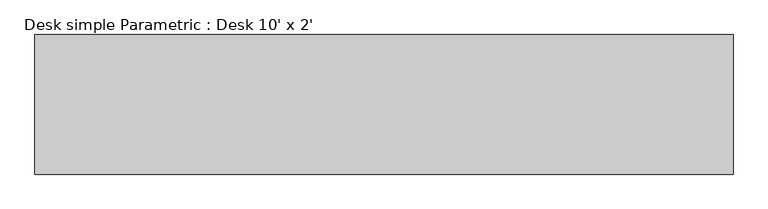
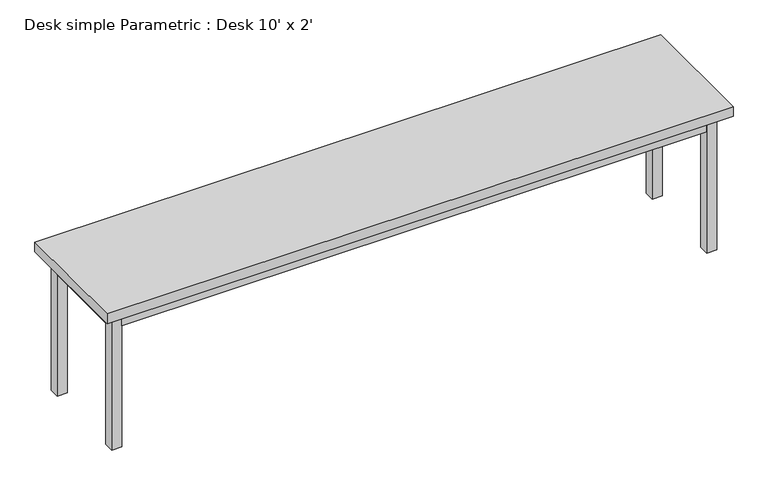
"""IFC4 building model written with IfcOpenShell, lengths in millimetres: furniture geometry, Desk simple Parametric : Desk 10' x 2'."""

from ifc_helpers import new_model, si_unit, frame, origin, origin_with_axes, place, context, project, spatial, polyline, outline, extrude, source, transform, mapped, element, save


def desk_simple_parametric_desk_10_x_2_670e0a4d(model_context):
    return source(origin(), model_context, "Body", "SweptSolid", [
        extrude(outline(polyline([(1484.0, 324.8), (1484.0, -284.8), (-1564.0, -284.8), (-1564.0, 324.8), (1484.0, 324.8)])), frame((0.0, 0.0, 700.0), z_axis=(0.0, 0.0, 1.0), x_axis=(1.0, 0.0, 0.0)), (0.0, 0.0, 1.0), 50.0),
        extrude(outline(polyline([(1384.0, 249.8), (-1464.0, 249.8), (-1464.0, 274.8), (1384.0, 274.8), (1384.0, 249.8)])), frame((0.0, 0.0, 625.0), z_axis=(0.0, 0.0, 1.0), x_axis=(1.0, 0.0, 0.0)), (0.0, 0.0, 1.0), 75.0),
        extrude(outline(polyline([(-1489.0, 224.8), (-1489.0, -184.8), (-1514.0, -184.8), (-1514.0, 224.8), (-1489.0, 224.8)])), frame((0.0, 0.0, 625.0), z_axis=(0.0, 0.0, 1.0), x_axis=(1.0, 0.0, 0.0)), (0.0, 0.0, 1.0), 75.0),
        extrude(outline(polyline([(1409.0, 224.8), (1434.0, 224.8), (1434.0, -184.8), (1409.0, -184.8), (1409.0, 224.8)])), frame((0.0, 0.0, 625.0), z_axis=(0.0, 0.0, 1.0), x_axis=(1.0, 0.0, 0.0)), (0.0, 0.0, 1.0), 75.0),
        extrude(outline(polyline([(-1464.0, -234.8), (-1464.0, -209.8), (1384.0, -209.8), (1384.0, -234.8), (-1464.0, -234.8)])), frame((0.0, 0.0, 625.0), z_axis=(0.0, 0.0, 1.0), x_axis=(1.0, 0.0, 0.0)), (0.0, 0.0, 1.0), 75.0),
        extrude(outline(polyline([(-1464.0, 274.8), (-1464.0, 224.8), (-1514.0, 224.8), (-1514.0, 274.8), (-1464.0, 274.8)])), origin_with_axes(), (0.0, 0.0, 1.0), 700.0),
        extrude(outline(polyline([(-1464.0, -234.8), (-1514.0, -234.8), (-1514.0, -184.8), (-1464.0, -184.8), (-1464.0, -234.8)])), origin_with_axes(), (0.0, 0.0, 1.0), 700.0),
        extrude(outline(polyline([(1384.0, -234.8), (1384.0, -184.8), (1434.0, -184.8), (1434.0, -234.8), (1384.0, -234.8)])), origin_with_axes(), (0.0, 0.0, 1.0), 700.0),
        extrude(outline(polyline([(1384.0, 274.8), (1434.0, 274.8), (1434.0, 224.8), (1384.0, 224.8), (1384.0, 274.8)])), origin_with_axes(), (0.0, 0.0, 1.0), 700.0),
    ])


if __name__ == "__main__":
    model = new_model("IFC4")
    model_context = context("Model", 3, world=origin())
    ifc_project = project(units=[si_unit("LENGTHUNIT", "METRE", prefix="MILLI")], contexts=[model_context])
    site = spatial("IfcSite", under=ifc_project)
    building = spatial("IfcBuilding", under=site)
    placement = place(None, origin())
    desk_simple_parametric_desk_10_x_2_shape = desk_simple_parametric_desk_10_x_2_670e0a4d(model_context)
    element("IfcFurniture", 1, ObjectType="Desk simple Parametric : Desk 10' x 2'", at=placement, inside=building, context=model_context, shape_type="MappedRepresentation", body=[
        mapped(desk_simple_parametric_desk_10_x_2_shape, transform((0.0, 0.0, 0.0), x_axis=(1.0, 0.0, 0.0), y_axis=(0.0, 1.0, 0.0), z_axis=(0.0, 0.0, 1.0))),
    ])
    save(model, "model.ifc")
